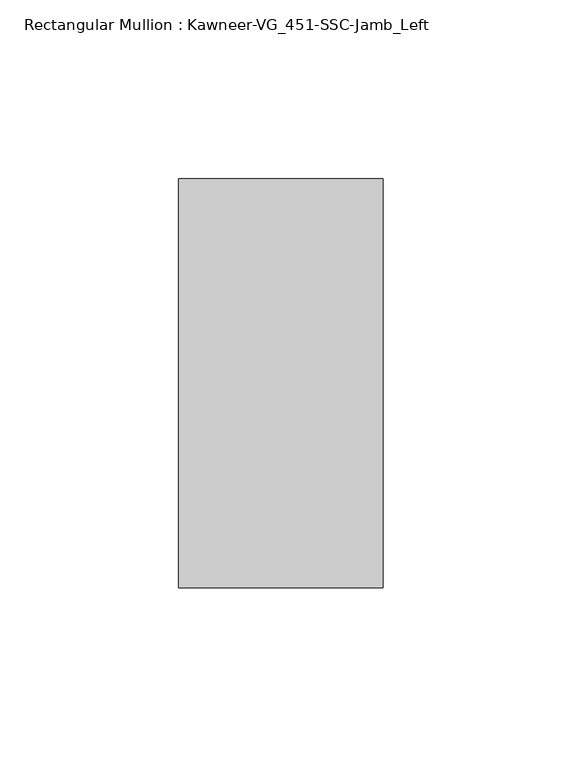
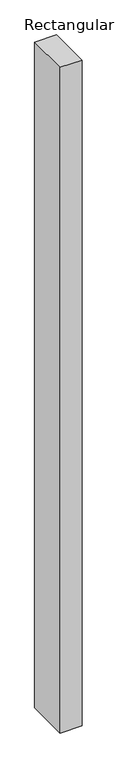
"""IFC4 building model written with IfcOpenShell, lengths in millimetres: member geometry, Rectangular Mullion : Kawneer-VG_451-SSC-Jamb_Left."""

from ifc_helpers import new_model, si_unit, frame, origin, place, context, project, spatial, polyline, outline, extrude, source, transform, mapped, element, save


def rectangular_mullion_kawneer_vg_451_ssc_jamb_left_6c2af602(model_context):
    return source(origin(), model_context, "Body", "SweptSolid", [
        extrude(outline(polyline([(-57.15, -57.15), (-57.15, 57.15), (0.0, 57.15), (0.0, -57.15), (-57.15, -57.15)])), frame((0.0, 0.0, -1828.8), z_axis=(0.0, 0.0, 1.0), x_axis=(1.0, 0.0, 0.0)), (0.0, 0.0, 1.0), 1828.8),
    ])


if __name__ == "__main__":
    model = new_model("IFC4")
    model_context = context("Model", 3, world=origin())
    ifc_project = project(units=[si_unit("LENGTHUNIT", "METRE", prefix="MILLI")], contexts=[model_context])
    site = spatial("IfcSite", under=ifc_project)
    building = spatial("IfcBuilding", under=site)
    placement = place(None, origin())
    rectangular_mullion_kawneer_vg_451_ssc_jamb_left_shape = rectangular_mullion_kawneer_vg_451_ssc_jamb_left_6c2af602(model_context)
    element("IfcMember", 1, ObjectType="Rectangular Mullion : Kawneer-VG_451-SSC-Jamb_Left", at=placement, inside=building, context=model_context, shape_type="MappedRepresentation", body=[
        mapped(rectangular_mullion_kawneer_vg_451_ssc_jamb_left_shape, transform((0.0, 0.0, 0.0), x_axis=(1.0, 0.0, 0.0), y_axis=(0.0, 1.0, 0.0), z_axis=(0.0, 0.0, 1.0))),
    ])
    save(model, "model.ifc")
